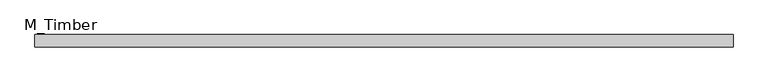
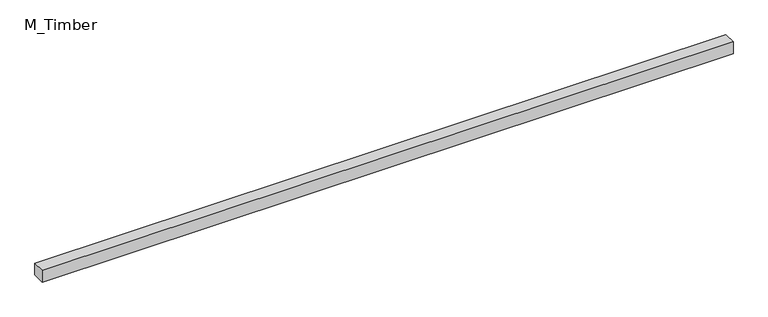
"""IFC4 building model written with IfcOpenShell, lengths in millimetres: beam geometry, M_Timber."""

from ifc_helpers import new_model, si_unit, frame, origin, place, context, project, spatial, polyline, outline, extrude, source, transform, mapped, element, save


def m_timber_1d0cc59a(model_context):
    return source(origin(), model_context, "Body", "SweptSolid", [
        extrude(outline(polyline([(1118.8738361, 20.0), (1118.8738361, -20.0), (-1118.8738361, -20.0), (-1118.8738361, 20.0), (1118.8738361, 20.0)])), frame((0.0, 0.0, -20.0), z_axis=(0.0, 0.0, 1.0), x_axis=(1.0, 0.0, 0.0)), (0.0, 0.0, 1.0), 40.0),
    ])


if __name__ == "__main__":
    model = new_model("IFC4")
    model_context = context("Model", 3, world=origin())
    ifc_project = project(units=[si_unit("LENGTHUNIT", "METRE", prefix="MILLI")], contexts=[model_context])
    site = spatial("IfcSite", under=ifc_project)
    building = spatial("IfcBuilding", under=site)
    placement = place(None, origin())
    m_timber_shape = m_timber_1d0cc59a(model_context)
    element("IfcBeam", 1, ObjectType="M_Timber", at=placement, inside=building, context=model_context, shape_type="MappedRepresentation", body=[
        mapped(m_timber_shape, transform((0.0, 0.0, 0.0), x_axis=(1.0, 0.0, 0.0), y_axis=(0.0, 1.0, 0.0), z_axis=(0.0, 0.0, 1.0))),
    ])
    save(model, "model.ifc")
